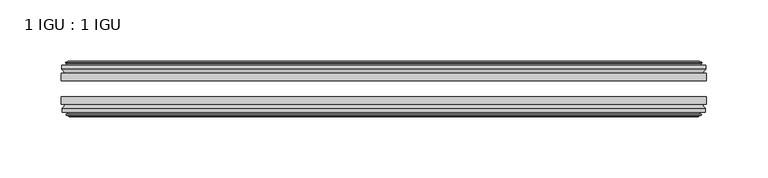
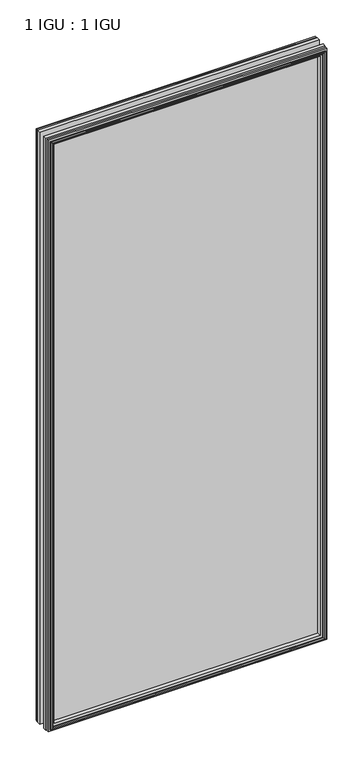
"""IFC4 building model written with IfcOpenShell, lengths in millimetres: plate geometry, 1 IGU : 1 IGU."""

from ifc_helpers import new_model, si_unit, frame, origin, place, context, project, spatial, polyline, outline, extrude, faceted_brep, source, transform, mapped, element, save


def plate_1_igu_1_igu_cc931694(model_context):
    return source(origin(), model_context, "Body", "SolidModel", [
        extrude(outline(polyline([(263.525, -19.5460937), (263.525, -25.8960938), (-263.525, -25.8960938), (-263.525, -19.5460937), (263.525, -19.5460937)])), frame((0.0, 0.0, -12.7), z_axis=(0.0, 0.0, 1.0), x_axis=(1.0, 0.0, 0.0)), (0.0, 0.0, 1.0), 1181.1),
        extrude(outline(polyline([(-263.525, -44.9460938), (-263.525, -38.9186737), (263.525, -38.9186737), (263.525, -44.9460938), (-263.525, -44.9460938)])), frame((0.0, 0.0, -12.7), z_axis=(0.0, 0.0, 1.0), x_axis=(1.0, 0.0, 0.0)), (0.0, 0.0, 1.0), 1181.1),
        faceted_brep([(-257.937, -53.6762907, 1162.812), (-258.318, -51.2960937, 1163.193), (-258.318, -51.2960937, -7.493), (-257.937, -53.6762907, -7.112), (-259.3525291, -53.2163575, 1164.2275291), (-259.3525291, -53.2163575, -8.5275291), (-259.3525291, -54.0175717, 1164.2275291), (-259.3525291, -54.0175717, -8.5275291), (-257.175, -54.7250937, 1162.05), (-257.175, -54.7250937, -6.35), (-254.9974709, -54.0175717, 1159.8724709), (-254.9974709, -54.0175717, -4.1724709), (-254.9974709, -53.2163575, 1159.8724709), (-254.9974709, -53.2163575, -4.1724709), (-256.413, -53.6762907, 1161.288), (-256.413, -53.6762907, -5.588), (-256.032, -51.2960937, 1160.907), (-256.032, -51.2960937, -5.207), (-249.1072819, -44.9460937, 1153.9822819), (-250.825, -51.2960937, 1155.7), (-250.825, -51.2960937, 0.0), (-249.1072819, -44.9460937, 1.7177181), (-262.763, -48.3496937, 1167.638), (-259.9286578, -44.9460937, 1164.8036578), (-259.9286578, -44.9460937, -9.1036578), (-262.763, -48.3496937, -11.938), (-262.763, -51.2960937, 1167.638), (-262.763, -51.2960937, -11.938), (258.318, -51.2960938, -7.493), (257.937, -53.6762907, -7.112), (259.3525291, -53.2163575, -8.5275291), (259.3525291, -54.0175717, -8.5275291), (257.175, -54.7250937, -6.35), (254.9974709, -54.0175717, -4.1724709), (254.9974709, -53.2163575, -4.1724709), (256.413, -53.6762907, -5.588), (256.032, -51.2960937, -5.207), (250.825, -51.2960937, 0.0), (249.1072819, -44.9460937, 1.7177181), (259.9286578, -44.9460937, -9.1036578), (262.763, -48.3496937, -11.938), (262.763, -51.2960938, -11.938), (258.318, -51.2960938, 1163.193), (257.937, -53.6762907, 1162.812), (259.3525291, -53.2163575, 1164.2275291), (259.3525291, -54.0175717, 1164.2275291), (257.175, -54.7250937, 1162.05), (254.9974709, -54.0175717, 1159.8724709), (254.9974709, -53.2163575, 1159.8724709), (256.413, -53.6762907, 1161.288), (256.032, -51.2960937, 1160.907), (250.825, -51.2960937, 1155.7), (249.1072819, -44.9460937, 1153.9822819), (259.9286578, -44.9460937, 1164.8036578), (262.763, -48.3496937, 1167.638), (262.763, -51.2960938, 1167.638)], [[[0, 1, 2, 3]], [[4, 0, 3, 5]], [[6, 4, 5, 7]], [[8, 6, 7, 9]], [[10, 8, 9, 11]], [[12, 10, 11, 13]], [[14, 12, 13, 15]], [[16, 14, 15, 17]], [[18, 19, 20, 21]], [[22, 23, 24, 25]], [[26, 22, 25, 27]], [[3, 2, 28, 29]], [[5, 3, 29, 30]], [[7, 5, 30, 31]], [[9, 7, 31, 32]], [[11, 9, 32, 33]], [[13, 11, 33, 34]], [[15, 13, 34, 35]], [[17, 15, 35, 36]], [[21, 20, 37, 38]], [[25, 24, 39, 40]], [[27, 25, 40, 41]], [[29, 28, 42, 43]], [[30, 29, 43, 44]], [[31, 30, 44, 45]], [[32, 31, 45, 46]], [[33, 32, 46, 47]], [[34, 33, 47, 48]], [[35, 34, 48, 49]], [[36, 35, 49, 50]], [[38, 37, 51, 52]], [[40, 39, 53, 54]], [[41, 40, 54, 55]], [[27, 41, 55, 26], [1, 42, 28, 2]], [[43, 42, 1, 0]], [[44, 43, 0, 4]], [[45, 44, 4, 6]], [[46, 45, 6, 8]], [[47, 46, 8, 10]], [[48, 47, 10, 12]], [[49, 48, 12, 14]], [[50, 49, 14, 16]], [[17, 36, 50, 16], [19, 51, 37, 20]], [[52, 51, 19, 18]], [[23, 53, 39, 24], [21, 38, 52, 18]], [[54, 53, 23, 22]], [[55, 54, 22, 26]]]),
        faceted_brep([(-260.4493578, -19.5460937, 1165.3243578), (-263.2837, -16.1424937, 1168.1587), (-263.2837, -16.1424937, -12.4587), (-260.4493578, -19.5460937, -9.6243578), (-251.3457, -13.1960937, 1156.2207), (-249.6279819, -19.5460937, 1154.5029819), (-249.6279819, -19.5460937, 1.1970181), (-251.3457, -13.1960937, -0.5207), (-256.9337, -10.8158968, 1161.8087), (-256.5527, -13.1960937, 1161.4277), (-256.5527, -13.1960937, -5.7277), (-256.9337, -10.8158968, -6.1087), (-255.5181709, -11.27583, 1160.3931709), (-255.5181709, -11.27583, -4.6931709), (-255.5181709, -10.4746158, 1160.3931709), (-255.5181709, -10.4746158, -4.6931709), (-257.6957, -9.7670937, 1162.5707), (-257.6957, -9.7670937, -6.8707), (-259.8732291, -10.4746158, 1164.7482291), (-259.8732291, -10.4746158, -9.0482291), (-259.8732291, -11.27583, 1164.7482291), (-259.8732291, -11.27583, -9.0482291), (-258.4577, -10.8158968, 1163.3327), (-258.4577, -10.8158968, -7.6327), (-258.8387, -13.1960937, 1163.7137), (-258.8387, -13.1960937, -8.0137), (-263.2837, -13.1960937, 1168.1587), (-263.2837, -13.1960937, -12.4587), (263.2837, -16.1424937, -12.4587), (260.4493578, -19.5460937, -9.6243578), (249.6279819, -19.5460937, 1.1970181), (251.3457, -13.1960937, -0.5207), (256.5527, -13.1960937, -5.7277), (256.9337, -10.8158968, -6.1087), (255.5181709, -11.27583, -4.6931709), (255.5181709, -10.4746158, -4.6931709), (257.6957, -9.7670937, -6.8707), (259.8732291, -10.4746158, -9.0482291), (259.8732291, -11.27583, -9.0482291), (258.4577, -10.8158968, -7.6327), (258.8387, -13.1960937, -8.0137), (263.2837, -13.1960937, -12.4587), (263.2837, -16.1424937, 1168.1587), (260.4493578, -19.5460937, 1165.3243578), (249.6279819, -19.5460937, 1154.5029819), (251.3457, -13.1960937, 1156.2207), (256.5527, -13.1960937, 1161.4277), (256.9337, -10.8158968, 1161.8087), (255.5181709, -11.27583, 1160.3931709), (255.5181709, -10.4746158, 1160.3931709), (257.6957, -9.7670937, 1162.5707), (259.8732291, -10.4746158, 1164.7482291), (259.8732291, -11.27583, 1164.7482291), (258.4577, -10.8158968, 1163.3327), (258.8387, -13.1960937, 1163.7137), (263.2837, -13.1960937, 1168.1587)], [[[0, 1, 2, 3]], [[4, 5, 6, 7]], [[8, 9, 10, 11]], [[12, 8, 11, 13]], [[14, 12, 13, 15]], [[16, 14, 15, 17]], [[18, 16, 17, 19]], [[20, 18, 19, 21]], [[22, 20, 21, 23]], [[24, 22, 23, 25]], [[1, 26, 27, 2]], [[3, 2, 28, 29]], [[7, 6, 30, 31]], [[11, 10, 32, 33]], [[13, 11, 33, 34]], [[15, 13, 34, 35]], [[17, 15, 35, 36]], [[19, 17, 36, 37]], [[21, 19, 37, 38]], [[23, 21, 38, 39]], [[25, 23, 39, 40]], [[2, 27, 41, 28]], [[29, 28, 42, 43]], [[31, 30, 44, 45]], [[33, 32, 46, 47]], [[34, 33, 47, 48]], [[35, 34, 48, 49]], [[36, 35, 49, 50]], [[37, 36, 50, 51]], [[38, 37, 51, 52]], [[39, 38, 52, 53]], [[40, 39, 53, 54]], [[28, 41, 55, 42]], [[43, 42, 1, 0]], [[3, 29, 43, 0], [5, 44, 30, 6]], [[45, 44, 5, 4]], [[9, 46, 32, 10], [7, 31, 45, 4]], [[47, 46, 9, 8]], [[48, 47, 8, 12]], [[49, 48, 12, 14]], [[50, 49, 14, 16]], [[51, 50, 16, 18]], [[52, 51, 18, 20]], [[53, 52, 20, 22]], [[54, 53, 22, 24]], [[26, 55, 41, 27], [25, 40, 54, 24]], [[42, 55, 26, 1]]]),
    ])


if __name__ == "__main__":
    model = new_model("IFC4")
    model_context = context("Model", 3, world=origin())
    ifc_project = project(units=[si_unit("LENGTHUNIT", "METRE", prefix="MILLI")], contexts=[model_context])
    site = spatial("IfcSite", under=ifc_project)
    building = spatial("IfcBuilding", under=site)
    placement = place(None, origin())
    plate_1_igu_1_igu_shape = plate_1_igu_1_igu_cc931694(model_context)
    element("IfcPlate", 1, ObjectType="1 IGU : 1 IGU", at=placement, inside=building, context=model_context, shape_type="MappedRepresentation", body=[
        mapped(plate_1_igu_1_igu_shape, transform((0.0, 0.0, 0.0), x_axis=(1.0, 0.0, 0.0), y_axis=(0.0, 1.0, 0.0), z_axis=(0.0, 0.0, 1.0))),
    ])
    save(model, "model.ifc")
